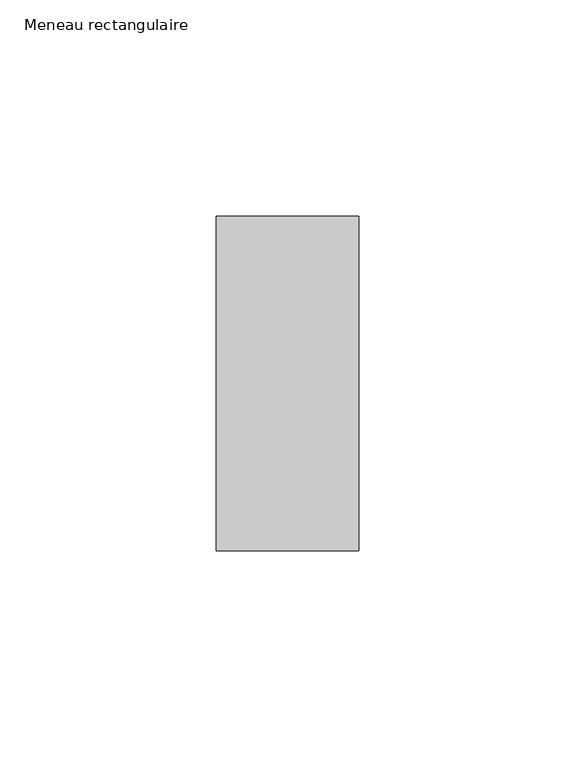
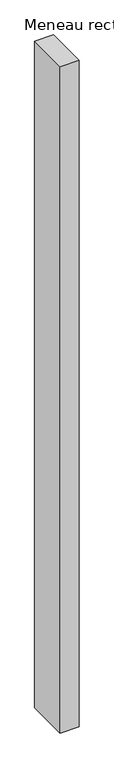
"""IFC4 building model written with IfcOpenShell, lengths in millimetres: member geometry, Meneau rectangulaire."""

import ifcopenshell
import ifcopenshell.guid

model = None  # the IFC model being written
_history = None  # IfcOwnerHistory: only IFC2X3 demands one
_inside = {}  # id of a spatial element -> (the spatial element, [elements in it])
_under = {}  # id of a project, library or spatial element -> (it, [spatial elements below it])
_declared = {}  # id of a project -> (the project, [libraries it declares])
_typed = {}  # id of a type object -> (the type object, [elements of that type])
_made_of = {}  # id of a material, layer set ... -> (it, [elements and type objects made of it])


def new_model(schema):
    """Start an empty IFC model of exactly this schema.

    Asked for "IFC4X3", IfcOpenShell would pick the latest addendum, in which some entities
    have other attributes; the version numbers below select the first issue.
    IFC2X3 requires an IfcOwnerHistory on every rooted entity: one is made here for all.
    """
    global model, _history
    if schema == "IFC4X3":
        model = ifcopenshell.file(schema_version=(4, 3, 0, 0))
    else:
        model = ifcopenshell.file(schema=schema)
    _inside.clear()
    _under.clear()
    _declared.clear()
    _typed.clear()
    _made_of.clear()
    _history = None
    if model.schema == "IFC2X3":
        org = make("IfcOrganization", Name="unknown")
        user = make(
            "IfcPersonAndOrganization",
            ThePerson=make("IfcPerson", FamilyName="unknown"),
            TheOrganization=org,
        )
        app = make(
            "IfcApplication",
            ApplicationDeveloper=org,
            Version="unknown",
            ApplicationFullName="unknown",
            ApplicationIdentifier="unknown",
        )
        _history = make(
            "IfcOwnerHistory",
            OwningUser=user,
            OwningApplication=app,
            ChangeAction="ADDED",
            CreationDate=0,
        )
    return model


def make(cls, **values):
    """One entity of the class cls with the attributes given. An attribute that is None is left unset."""
    return model.create_entity(
        cls, **{name: value for name, value in values.items() if value is not None}
    )


def rooted(cls, **values):
    """An entity with a GlobalId (a new one), such as an element, a storey or a relation."""
    return make(cls, GlobalId=ifcopenshell.guid.new(), OwnerHistory=_history, **values)


def si_unit(unit_type, name, prefix=None):
    """IfcSIUnit, for example si_unit("LENGTHUNIT", "METRE", prefix="MILLI")."""
    return make("IfcSIUnit", UnitType=unit_type, Prefix=prefix, Name=name)


def assignment(units):
    """IfcUnitAssignment: the units of a project."""
    return None if units is None else make("IfcUnitAssignment", Units=units)


def point(xyz):
    """IfcCartesianPoint."""
    return None if xyz is None else make("IfcCartesianPoint", Coordinates=xyz)


def direction(xyz):
    """IfcDirection."""
    return None if xyz is None else make("IfcDirection", DirectionRatios=xyz)


def frame(location, z_axis=None, x_axis=None):
    """IfcAxis2Placement3D, a coordinate frame: its origin and axes. An axis left out is left unset."""
    return make(
        "IfcAxis2Placement3D",
        Location=point(location),
        Axis=direction(z_axis),
        RefDirection=direction(x_axis),
    )


def origin():
    """The frame at (0, 0, 0) with its axes left unset."""
    return frame((0.0, 0.0, 0.0))


def place(relative_to, where):
    """IfcLocalPlacement: puts the frame where relative to a parent placement (None: the world)."""
    return make(
        "IfcLocalPlacement", PlacementRelTo=relative_to, RelativePlacement=where
    )


def context(
    kind, dimensions, precision=None, world=None, true_north=None, identifier=None
):
    """IfcGeometricRepresentationContext, for example the 3D "Model" context."""
    return make(
        "IfcGeometricRepresentationContext",
        ContextIdentifier=identifier,
        ContextType=kind,
        CoordinateSpaceDimension=dimensions,
        Precision=precision,
        WorldCoordinateSystem=world,
        TrueNorth=true_north,
    )


def project(units=None, contexts=None):
    """IfcProject with its units and contexts."""
    return rooted(
        "IfcProject",
        Name="project",
        RepresentationContexts=contexts,
        UnitsInContext=assignment(units),
    )


def spatial(cls, under=None, at=None, **own):
    """A site, building, storey or space (cls), placed at a placement, below another one or the project."""
    s = rooted(cls, ObjectPlacement=at, **own)
    if under is not None:
        _under.setdefault(under.id(), (under, []))[1].append(s)
    return s


def polyline(points):
    """IfcPolyline through the points."""
    return make("IfcPolyline", Points=[point(p) for p in points])


def outline(outer, holes=None, kind="AREA"):
    """IfcArbitraryClosedProfileDef: a profile drawn as a closed curve; with holes, ...WithVoids."""
    if holes is None:
        return make("IfcArbitraryClosedProfileDef", ProfileType=kind, OuterCurve=outer)
    return make(
        "IfcArbitraryProfileDefWithVoids",
        ProfileType=kind,
        OuterCurve=outer,
        InnerCurves=holes,
    )


def extrude(swept, where, along, depth):
    """IfcExtrudedAreaSolid: the profile swept, set in the frame where, extruded along a direction by depth."""
    return make(
        "IfcExtrudedAreaSolid",
        SweptArea=swept,
        Position=where,
        ExtrudedDirection=direction(along),
        Depth=depth,
    )


def shape(context_of_items, identifier, shape_type, items):
    """IfcShapeRepresentation: the items that make up one representation, for example the "Body"."""
    return make(
        "IfcShapeRepresentation",
        ContextOfItems=context_of_items,
        RepresentationIdentifier=identifier,
        RepresentationType=shape_type,
        Items=items,
    )


def source(mapping_origin, context_of_items, identifier, shape_type, items):
    """IfcRepresentationMap: a shape defined once, which mapped items show again and again."""
    return make(
        "IfcRepresentationMap",
        MappingOrigin=mapping_origin,
        MappedRepresentation=shape(context_of_items, identifier, shape_type, items),
    )


def transform(
    local_origin,
    x_axis=None,
    y_axis=None,
    z_axis=None,
    scale=None,
    scale2=None,
    scale3=None,
    uniform=True,
):
    """IfcCartesianTransformationOperator3D, or its non-uniform kind. x_axis, y_axis, z_axis: its Axis1, 2, 3."""
    if uniform:
        return make(
            "IfcCartesianTransformationOperator3D",
            Axis1=direction(x_axis),
            Axis2=direction(y_axis),
            LocalOrigin=point(local_origin),
            Scale=scale,
            Axis3=direction(z_axis),
        )
    return make(
        "IfcCartesianTransformationOperator3DnonUniform",
        Axis1=direction(x_axis),
        Axis2=direction(y_axis),
        LocalOrigin=point(local_origin),
        Scale=scale,
        Axis3=direction(z_axis),
        Scale2=scale2,
        Scale3=scale3,
    )


def mapped(mapping_source, mapping_target):
    """IfcMappedItem: shows the shape of a source again, moved by a transform."""
    return make(
        "IfcMappedItem", MappingSource=mapping_source, MappingTarget=mapping_target
    )


def made_of(thing, what):
    """Note that an element or type object is made of a material, layer set ...; save() writes the relation."""
    if what is not None:
        _made_of.setdefault(what.id(), (what, []))[1].append(thing)
    return thing


def element(
    cls,
    number,
    at=None,
    inside=None,
    cuts=None,
    type_object=None,
    material=None,
    context=None,
    identifier="Body",
    shape_type=None,
    held_by="IfcProductDefinitionShape",
    body=None,
    shapes=None,
    **own,
):
    """One element of the class cls, such as IfcWall. Its Tag is "e" and its number.

    at: its placement. inside: the storey or other place that contains it. cuts: it is an
    opening in that element (IfcRelVoidsElement). A single representation is given by context,
    identifier, shape_type and body (its items); several are given by shapes. held_by: the class
    of the entity that holds the representations. save() writes the other relations.
    """
    e = rooted(cls, Tag="e%d" % number, ObjectPlacement=at, **own)
    if body is not None:
        shapes = [shape(context, identifier, shape_type, body)]
    if shapes is not None:
        e.Representation = make(held_by, Representations=shapes)
    if inside is not None:
        _inside.setdefault(inside.id(), (inside, []))[1].append(e)
    if cuts is not None:
        rooted(
            "IfcRelVoidsElement", RelatingBuildingElement=cuts, RelatedOpeningElement=e
        )
    if type_object is not None:
        _typed.setdefault(type_object.id(), (type_object, []))[1].append(e)
    return made_of(e, material)


def aggregate(whole, parts):
    """IfcRelAggregates: a whole, such as a stair, and the parts it consists of."""
    return rooted("IfcRelAggregates", RelatingObject=whole, RelatedObjects=parts)


def save(model, path):
    """Write the relations noted so far, then the file.

    IfcRelAggregates (storeys below a building ...), IfcRelContainedInSpatialStructure (elements
    in a storey), IfcRelDefinesByType, IfcRelAssociatesMaterial and IfcRelDeclares: one each for
    every whole, place, type object, material and project.
    """
    for whole, parts in _under.values():
        aggregate(whole, parts)
    for where, things in _inside.values():
        rooted(
            "IfcRelContainedInSpatialStructure",
            RelatedElements=things,
            RelatingStructure=where,
        )
    for kind, things in _typed.values():
        rooted("IfcRelDefinesByType", RelatedObjects=things, RelatingType=kind)
    for what, things in _made_of.values():
        rooted("IfcRelAssociatesMaterial", RelatedObjects=things, RelatingMaterial=what)
    for by, libraries in _declared.values():
        rooted("IfcRelDeclares", RelatingContext=by, RelatedDefinitions=libraries)
    model.write(path)


def meneau_rectangulaire_ce1a7782(model_context):
    return source(origin(), model_context, "Body", "SweptSolid", [
        extrude(outline(polyline([(0.0, 38.75), (0.0, -38.75), (-33.0, -38.75), (-33.0, 38.75), (0.0, 38.75)])), frame((0.0, 0.0, -1234.8749998), z_axis=(0.0, 0.0, 1.0), x_axis=(1.0, 0.0, 0.0)), (0.0, 0.0, 1.0), 1234.8749998),
    ])


if __name__ == "__main__":
    model = new_model("IFC4")
    model_context = context("Model", 3, world=origin())
    ifc_project = project(units=[si_unit("LENGTHUNIT", "METRE", prefix="MILLI")], contexts=[model_context])
    site = spatial("IfcSite", under=ifc_project)
    building = spatial("IfcBuilding", under=site)
    placement = place(None, origin())
    meneau_rectangulaire_shape = meneau_rectangulaire_ce1a7782(model_context)
    element("IfcMember", 1, ObjectType="Meneau rectangulaire", at=placement, inside=building, context=model_context, shape_type="MappedRepresentation", body=[
        mapped(meneau_rectangulaire_shape, transform((0.0, 0.0, 0.0), x_axis=(1.0, 0.0, 0.0), y_axis=(0.0, 1.0, 0.0), z_axis=(0.0, 0.0, 1.0))),
    ])
    save(model, "model.ifc")
